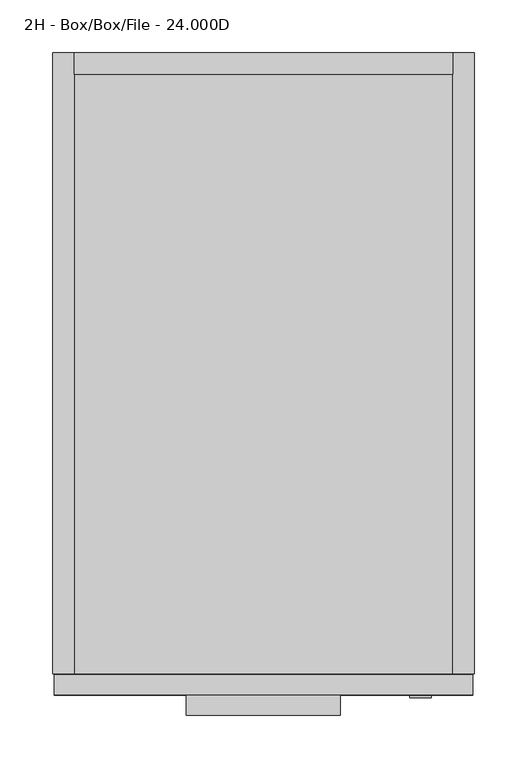
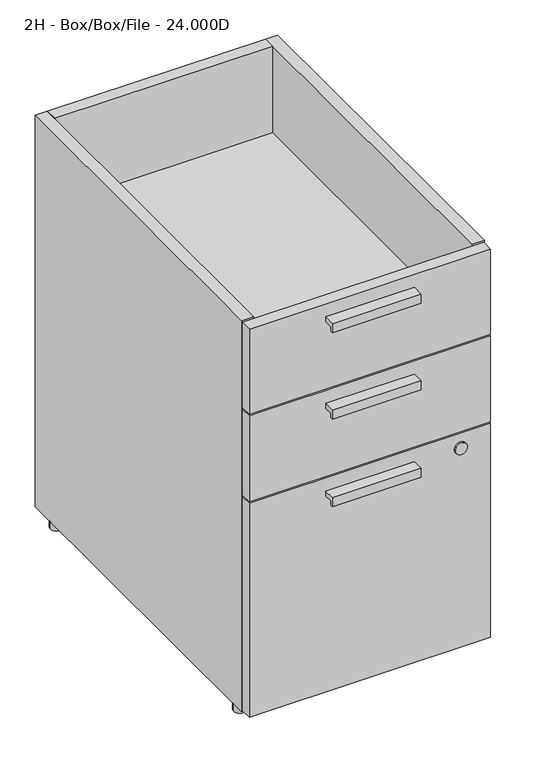
"""IFC4 building model written with IfcOpenShell, lengths in millimetres: furniture geometry, 2H - Box/Box/File - 24.000D."""

from ifc_helpers import new_model, si_unit, point, frame, frame_2d, origin, origin_with_axes, place, context, project, spatial, polyline, circle_curve, trimmed, segment, composite_curve, outline, extrude, source, transform, mapped, element, save


def furniture_2h_box_box_file_24_000d_f733c3f2(model_context):
    return source(origin(), model_context, "Body", "SweptSolid", [
        extrude(outline(polyline([(-628.7721736, 668.3502), (-609.6, 668.3502), (-609.6, 660.4), (-624.332, 660.4), (-624.332, 652.4498), (-628.7721736, 652.4498), (-628.7721736, 668.3502)])), frame((127.0, 0.0, 0.0), z_axis=(1.0, 0.0, 0.0), x_axis=(0.0, 1.0, 0.0)), (0.0, 0.0, 1.0), 146.05),
        extrude(outline(polyline([(-628.7721736, 365.125), (-609.6, 365.125), (-609.6, 357.1748), (-624.332, 357.1748), (-624.332, 349.2246), (-628.7721736, 349.2246), (-628.7721736, 365.125)])), frame((127.0, 0.0, 0.0), z_axis=(1.0, 0.0, 0.0), x_axis=(0.0, 1.0, 0.0)), (0.0, 0.0, 1.0), 146.05),
        extrude(outline(polyline([(-628.7721736, 517.525), (-609.6, 517.525), (-609.6, 509.5748), (-624.332, 509.5748), (-624.332, 501.6246), (-628.7721736, 501.6246), (-628.7721736, 517.525)])), frame((127.0, 0.0, 0.0), z_axis=(1.0, 0.0, 0.0), x_axis=(0.0, 1.0, 0.0)), (0.0, 0.0, 1.0), 146.05),
        extrude(outline(polyline([(379.73, -20.32), (379.73, -589.28), (20.32, -589.28), (20.32, -20.32), (379.73, -20.32)])), frame((0.0, 0.0, 370.205), z_axis=(0.0, 0.0, 1.0), x_axis=(1.0, 0.0, 0.0)), (0.0, 0.0, 1.0), 20.32),
        extrude(outline(polyline([(398.78, -590.55), (398.78, -609.6), (1.27, -609.6), (1.27, -590.55), (398.78, -590.55)])), frame((0.0, 0.0, 542.925), z_axis=(0.0, 0.0, 1.0), x_axis=(1.0, 0.0, 0.0)), (0.0, 0.0, 1.0), 148.2852),
        extrude(outline(composite_curve([segment(trimmed(circle_curve(frame_2d((362.585, 349.25)), 10.16), [point((362.585, 339.09))], [point((362.585, 359.41))], False, "CARTESIAN"), True, "CONTINUOUS"), segment(trimmed(circle_curve(frame_2d((362.585, 349.25)), 10.16), [point((362.585, 359.41))], [point((362.585, 339.09))], False, "CARTESIAN"), True, "CONTINUOUS")], self_intersect=False)), frame((0.0, -612.14, 0.0), z_axis=(0.0, 1.0, 0.0), x_axis=(0.0, 0.0, 1.0)), (0.0, 0.0, 1.0), 2.54),
        extrude(outline(composite_curve([segment(trimmed(circle_curve(frame_2d((10.16, -43.18)), 10.16), [point((0.0, -43.18))], [point((20.32, -43.18))], False, "CARTESIAN"), True, "CONTINUOUS"), segment(trimmed(circle_curve(frame_2d((10.16, -43.18)), 10.16), [point((20.32, -43.18))], [point((0.0, -43.18))], False, "CARTESIAN"), True, "CONTINUOUS")], self_intersect=False)), origin_with_axes(), (0.0, 0.0, 1.0), 12.7),
        extrude(outline(composite_curve([segment(trimmed(circle_curve(frame_2d((389.89, -43.18)), 10.16), [point((379.73, -43.18))], [point((400.05, -43.18))], False, "CARTESIAN"), True, "CONTINUOUS"), segment(trimmed(circle_curve(frame_2d((389.89, -43.18)), 10.16), [point((400.05, -43.18))], [point((379.73, -43.18))], False, "CARTESIAN"), True, "CONTINUOUS")], self_intersect=False)), origin_with_axes(), (0.0, 0.0, 1.0), 12.7),
        extrude(outline(composite_curve([segment(trimmed(circle_curve(frame_2d((10.16, -566.42)), 10.16), [point((0.0, -566.42))], [point((20.32, -566.42))], False, "CARTESIAN"), True, "CONTINUOUS"), segment(trimmed(circle_curve(frame_2d((10.16, -566.42)), 10.16), [point((20.32, -566.42))], [point((0.0, -566.42))], False, "CARTESIAN"), True, "CONTINUOUS")], self_intersect=False)), origin_with_axes(), (0.0, 0.0, 1.0), 12.7),
        extrude(outline(composite_curve([segment(trimmed(circle_curve(frame_2d((389.89, -566.42)), 10.16), [point((379.73, -566.42))], [point((400.05, -566.42))], False, "CARTESIAN"), True, "CONTINUOUS"), segment(trimmed(circle_curve(frame_2d((389.89, -566.42)), 10.16), [point((400.05, -566.42))], [point((379.73, -566.42))], False, "CARTESIAN"), True, "CONTINUOUS")], self_intersect=False)), origin_with_axes(), (0.0, 0.0, 1.0), 12.7),
        extrude(outline(polyline([(398.78, -590.55), (398.78, -609.6), (1.27, -609.6), (1.27, -590.55), (398.78, -590.55)])), frame((0.0, 0.0, 390.525), z_axis=(0.0, 0.0, 1.0), x_axis=(1.0, 0.0, 0.0)), (0.0, 0.0, 1.0), 149.86),
        extrude(outline(polyline([(398.78, -590.55), (398.78, -609.6), (1.27, -609.6), (1.27, -590.55), (398.78, -590.55)])), frame((0.0, 0.0, 15.24), z_axis=(0.0, 0.0, 1.0), x_axis=(1.0, 0.0, 0.0)), (0.0, 0.0, 1.0), 372.745),
        extrude(outline(polyline([(379.73, -20.32), (379.73, -589.28), (20.32, -589.28), (20.32, -20.32), (379.73, -20.32)])), frame((0.0, 0.0, 522.605), z_axis=(0.0, 0.0, 1.0), x_axis=(1.0, 0.0, 0.0)), (0.0, 0.0, 1.0), 20.32),
        extrude(outline(polyline([(0.0, 12.7), (-589.28, 12.7), (-589.28, 105.41), (-20.32, 105.41), (-20.32, 693.7502), (0.0, 693.7502), (0.0, 12.7)])), frame((20.32, 0.0, 0.0), z_axis=(1.0, 0.0, 0.0), x_axis=(0.0, 1.0, 0.0)), (0.0, 0.0, 1.0), 359.41),
        extrude(outline(polyline([(20.32, 0.0), (20.32, -589.28), (0.0, -589.28), (0.0, 0.0), (20.32, 0.0)])), frame((0.0, 0.0, 12.7), z_axis=(0.0, 0.0, 1.0), x_axis=(1.0, 0.0, 0.0)), (0.0, 0.0, 1.0), 681.0502),
        extrude(outline(polyline([(379.73, 0.0), (400.05, 0.0), (400.05, -589.28), (379.73, -589.28), (379.73, 0.0)])), frame((0.0, 0.0, 12.7), z_axis=(0.0, 0.0, 1.0), x_axis=(1.0, 0.0, 0.0)), (0.0, 0.0, 1.0), 681.0502),
    ])


if __name__ == "__main__":
    model = new_model("IFC4")
    model_context = context("Model", 3, world=origin())
    ifc_project = project(units=[si_unit("LENGTHUNIT", "METRE", prefix="MILLI")], contexts=[model_context])
    site = spatial("IfcSite", under=ifc_project)
    building = spatial("IfcBuilding", under=site)
    placement = place(None, origin())
    furniture_2h_box_box_file_24_000d_shape = furniture_2h_box_box_file_24_000d_f733c3f2(model_context)
    element("IfcFurniture", 1, ObjectType="2H - Box/Box/File - 24.000D", at=placement, inside=building, context=model_context, shape_type="MappedRepresentation", body=[
        mapped(furniture_2h_box_box_file_24_000d_shape, transform((0.0, 0.0, 0.0), x_axis=(1.0, 0.0, 0.0), y_axis=(0.0, 1.0, 0.0), z_axis=(0.0, 0.0, 1.0))),
    ])
    save(model, "model.ifc")
